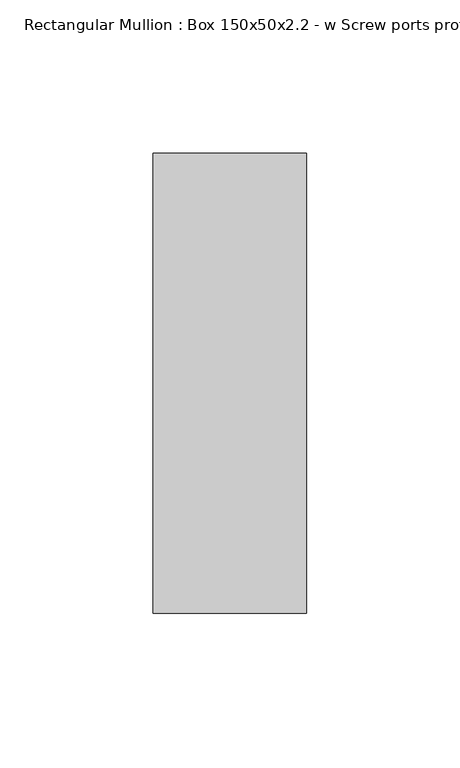
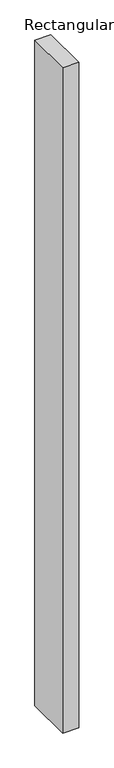
"""IFC4 building model written with IfcOpenShell, lengths in millimetres: member geometry, Rectangular Mullion : Box 150x50x2.2 - w Screw ports profile."""

from ifc_helpers import new_model, si_unit, frame, origin, place, context, project, spatial, polyline, outline, extrude, source, transform, mapped, element, save


def rectangular_mullion_box_150x50x2_2_w_screw_ports_profile_b22cafad(model_context):
    return source(origin(), model_context, "Body", "SweptSolid", [
        extrude(outline(polyline([(25.0, 75.0), (25.0, -75.0), (-25.0, -75.0), (-25.0, 75.0), (25.0, 75.0)])), frame((0.0, 0.0, -2194.6864406), z_axis=(0.0, 0.0, 1.0), x_axis=(1.0, 0.0, 0.0)), (0.0, 0.0, 1.0), 2194.6864406),
    ])


if __name__ == "__main__":
    model = new_model("IFC4")
    model_context = context("Model", 3, world=origin())
    ifc_project = project(units=[si_unit("LENGTHUNIT", "METRE", prefix="MILLI")], contexts=[model_context])
    site = spatial("IfcSite", under=ifc_project)
    building = spatial("IfcBuilding", under=site)
    placement = place(None, origin())
    rectangular_mullion_box_150x50x2_2_w_screw_ports_profile_shape = rectangular_mullion_box_150x50x2_2_w_screw_ports_profile_b22cafad(model_context)
    element("IfcMember", 1, ObjectType="Rectangular Mullion : Box 150x50x2.2 - w Screw ports profile", at=placement, inside=building, context=model_context, shape_type="MappedRepresentation", body=[
        mapped(rectangular_mullion_box_150x50x2_2_w_screw_ports_profile_shape, transform((0.0, 0.0, 0.0), x_axis=(1.0, 0.0, 0.0), y_axis=(0.0, 1.0, 0.0), z_axis=(0.0, 0.0, 1.0))),
    ])
    save(model, "model.ifc")
